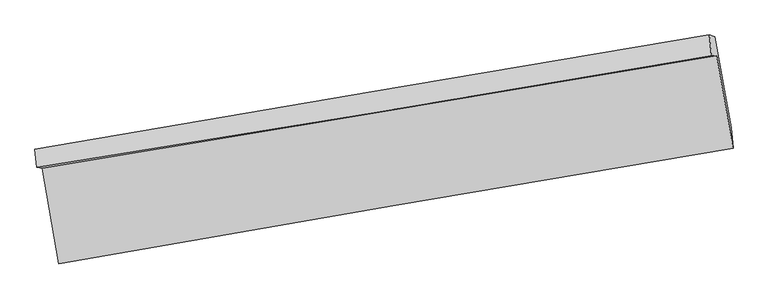
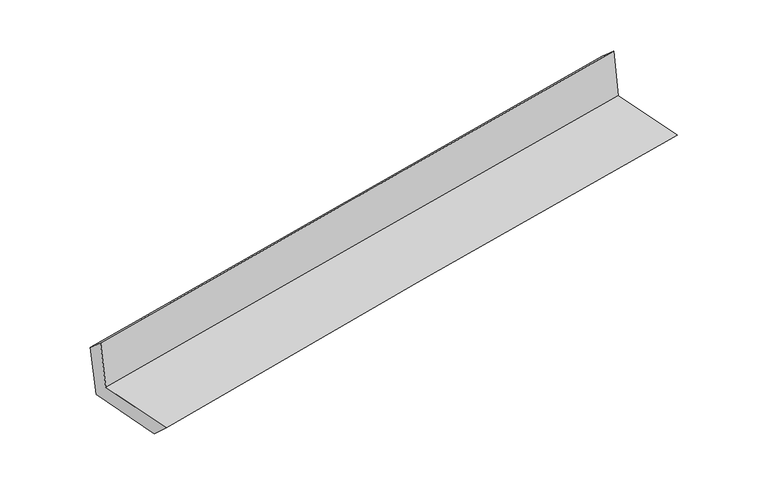
"""IFC4 building model written with IfcOpenShell, lengths in millimetres: proxy geometry."""

import ifcopenshell
import ifcopenshell.guid

model = None  # the IFC model being written
_history = None  # IfcOwnerHistory: only IFC2X3 demands one
_inside = {}  # id of a spatial element -> (the spatial element, [elements in it])
_under = {}  # id of a project, library or spatial element -> (it, [spatial elements below it])
_declared = {}  # id of a project -> (the project, [libraries it declares])
_typed = {}  # id of a type object -> (the type object, [elements of that type])
_made_of = {}  # id of a material, layer set ... -> (it, [elements and type objects made of it])


def new_model(schema):
    """Start an empty IFC model of exactly this schema.

    Asked for "IFC4X3", IfcOpenShell would pick the latest addendum, in which some entities
    have other attributes; the version numbers below select the first issue.
    IFC2X3 requires an IfcOwnerHistory on every rooted entity: one is made here for all.
    """
    global model, _history
    if schema == "IFC4X3":
        model = ifcopenshell.file(schema_version=(4, 3, 0, 0))
    else:
        model = ifcopenshell.file(schema=schema)
    _inside.clear()
    _under.clear()
    _declared.clear()
    _typed.clear()
    _made_of.clear()
    _history = None
    if model.schema == "IFC2X3":
        org = make("IfcOrganization", Name="unknown")
        user = make(
            "IfcPersonAndOrganization",
            ThePerson=make("IfcPerson", FamilyName="unknown"),
            TheOrganization=org,
        )
        app = make(
            "IfcApplication",
            ApplicationDeveloper=org,
            Version="unknown",
            ApplicationFullName="unknown",
            ApplicationIdentifier="unknown",
        )
        _history = make(
            "IfcOwnerHistory",
            OwningUser=user,
            OwningApplication=app,
            ChangeAction="ADDED",
            CreationDate=0,
        )
    return model


def make(cls, **values):
    """One entity of the class cls with the attributes given. An attribute that is None is left unset."""
    return model.create_entity(
        cls, **{name: value for name, value in values.items() if value is not None}
    )


def rooted(cls, **values):
    """An entity with a GlobalId (a new one), such as an element, a storey or a relation."""
    return make(cls, GlobalId=ifcopenshell.guid.new(), OwnerHistory=_history, **values)


def si_unit(unit_type, name, prefix=None):
    """IfcSIUnit, for example si_unit("LENGTHUNIT", "METRE", prefix="MILLI")."""
    return make("IfcSIUnit", UnitType=unit_type, Prefix=prefix, Name=name)


def assignment(units):
    """IfcUnitAssignment: the units of a project."""
    return None if units is None else make("IfcUnitAssignment", Units=units)


def point(xyz):
    """IfcCartesianPoint."""
    return None if xyz is None else make("IfcCartesianPoint", Coordinates=xyz)


def direction(xyz):
    """IfcDirection."""
    return None if xyz is None else make("IfcDirection", DirectionRatios=xyz)


def frame(location, z_axis=None, x_axis=None):
    """IfcAxis2Placement3D, a coordinate frame: its origin and axes. An axis left out is left unset."""
    return make(
        "IfcAxis2Placement3D",
        Location=point(location),
        Axis=direction(z_axis),
        RefDirection=direction(x_axis),
    )


def origin():
    """The frame at (0, 0, 0) with its axes left unset."""
    return frame((0.0, 0.0, 0.0))


def place(relative_to, where):
    """IfcLocalPlacement: puts the frame where relative to a parent placement (None: the world)."""
    return make(
        "IfcLocalPlacement", PlacementRelTo=relative_to, RelativePlacement=where
    )


def context(
    kind, dimensions, precision=None, world=None, true_north=None, identifier=None
):
    """IfcGeometricRepresentationContext, for example the 3D "Model" context."""
    return make(
        "IfcGeometricRepresentationContext",
        ContextIdentifier=identifier,
        ContextType=kind,
        CoordinateSpaceDimension=dimensions,
        Precision=precision,
        WorldCoordinateSystem=world,
        TrueNorth=true_north,
    )


def project(units=None, contexts=None):
    """IfcProject with its units and contexts."""
    return rooted(
        "IfcProject",
        Name="project",
        RepresentationContexts=contexts,
        UnitsInContext=assignment(units),
    )


def spatial(cls, under=None, at=None, **own):
    """A site, building, storey or space (cls), placed at a placement, below another one or the project."""
    s = rooted(cls, ObjectPlacement=at, **own)
    if under is not None:
        _under.setdefault(under.id(), (under, []))[1].append(s)
    return s


def shape(context_of_items, identifier, shape_type, items):
    """IfcShapeRepresentation: the items that make up one representation, for example the "Body"."""
    return make(
        "IfcShapeRepresentation",
        ContextOfItems=context_of_items,
        RepresentationIdentifier=identifier,
        RepresentationType=shape_type,
        Items=items,
    )


def source(mapping_origin, context_of_items, identifier, shape_type, items):
    """IfcRepresentationMap: a shape defined once, which mapped items show again and again."""
    return make(
        "IfcRepresentationMap",
        MappingOrigin=mapping_origin,
        MappedRepresentation=shape(context_of_items, identifier, shape_type, items),
    )


def transform(
    local_origin,
    x_axis=None,
    y_axis=None,
    z_axis=None,
    scale=None,
    scale2=None,
    scale3=None,
    uniform=True,
):
    """IfcCartesianTransformationOperator3D, or its non-uniform kind. x_axis, y_axis, z_axis: its Axis1, 2, 3."""
    if uniform:
        return make(
            "IfcCartesianTransformationOperator3D",
            Axis1=direction(x_axis),
            Axis2=direction(y_axis),
            LocalOrigin=point(local_origin),
            Scale=scale,
            Axis3=direction(z_axis),
        )
    return make(
        "IfcCartesianTransformationOperator3DnonUniform",
        Axis1=direction(x_axis),
        Axis2=direction(y_axis),
        LocalOrigin=point(local_origin),
        Scale=scale,
        Axis3=direction(z_axis),
        Scale2=scale2,
        Scale3=scale3,
    )


def mapped(mapping_source, mapping_target):
    """IfcMappedItem: shows the shape of a source again, moved by a transform."""
    return make(
        "IfcMappedItem", MappingSource=mapping_source, MappingTarget=mapping_target
    )


def made_of(thing, what):
    """Note that an element or type object is made of a material, layer set ...; save() writes the relation."""
    if what is not None:
        _made_of.setdefault(what.id(), (what, []))[1].append(thing)
    return thing


def element(
    cls,
    number,
    at=None,
    inside=None,
    cuts=None,
    type_object=None,
    material=None,
    context=None,
    identifier="Body",
    shape_type=None,
    held_by="IfcProductDefinitionShape",
    body=None,
    shapes=None,
    **own,
):
    """One element of the class cls, such as IfcWall. Its Tag is "e" and its number.

    at: its placement. inside: the storey or other place that contains it. cuts: it is an
    opening in that element (IfcRelVoidsElement). A single representation is given by context,
    identifier, shape_type and body (its items); several are given by shapes. held_by: the class
    of the entity that holds the representations. save() writes the other relations.
    """
    e = rooted(cls, Tag="e%d" % number, ObjectPlacement=at, **own)
    if body is not None:
        shapes = [shape(context, identifier, shape_type, body)]
    if shapes is not None:
        e.Representation = make(held_by, Representations=shapes)
    if inside is not None:
        _inside.setdefault(inside.id(), (inside, []))[1].append(e)
    if cuts is not None:
        rooted(
            "IfcRelVoidsElement", RelatingBuildingElement=cuts, RelatedOpeningElement=e
        )
    if type_object is not None:
        _typed.setdefault(type_object.id(), (type_object, []))[1].append(e)
    return made_of(e, material)


def aggregate(whole, parts):
    """IfcRelAggregates: a whole, such as a stair, and the parts it consists of."""
    return rooted("IfcRelAggregates", RelatingObject=whole, RelatedObjects=parts)


def save(model, path):
    """Write the relations noted so far, then the file.

    IfcRelAggregates (storeys below a building ...), IfcRelContainedInSpatialStructure (elements
    in a storey), IfcRelDefinesByType, IfcRelAssociatesMaterial and IfcRelDeclares: one each for
    every whole, place, type object, material and project.
    """
    for whole, parts in _under.values():
        aggregate(whole, parts)
    for where, things in _inside.values():
        rooted(
            "IfcRelContainedInSpatialStructure",
            RelatedElements=things,
            RelatingStructure=where,
        )
    for kind, things in _typed.values():
        rooted("IfcRelDefinesByType", RelatedObjects=things, RelatingType=kind)
    for what, things in _made_of.values():
        rooted("IfcRelAssociatesMaterial", RelatedObjects=things, RelatingMaterial=what)
    for by, libraries in _declared.values():
        rooted("IfcRelDeclares", RelatingContext=by, RelatedDefinitions=libraries)
    model.write(path)


def plane_surface(at):
    """IfcPlane: the flat surface through the origin of the frame at, square to its z axis."""
    return make("IfcPlane", Position=at)


def spline_curve(degree, points, multiplicities, knots, weights=None):
    """IfcBSplineCurveWithKnots; with weights, IfcRationalBSplineCurveWithKnots."""
    own = dict(
        Degree=degree,
        ControlPointsList=[point(p) for p in points],
        CurveForm="UNSPECIFIED",
        ClosedCurve=False,
        SelfIntersect=False,
        KnotMultiplicities=multiplicities,
        Knots=knots,
        KnotSpec="UNSPECIFIED",
    )
    if weights is None:
        return make("IfcBSplineCurveWithKnots", **own)
    return make("IfcRationalBSplineCurveWithKnots", WeightsData=weights, **own)


def spline_surface(u_degree, v_degree, points, u_multiplicities, v_multiplicities, u_knots, v_knots, weights=None):
    """IfcBSplineSurfaceWithKnots; with weights, IfcRationalBSplineSurfaceWithKnots. points: one row for each step in u."""
    own = dict(
        UDegree=u_degree,
        VDegree=v_degree,
        ControlPointsList=[[point(p) for p in row] for row in points],
        SurfaceForm="UNSPECIFIED",
        UClosed=False,
        VClosed=False,
        SelfIntersect=False,
        UMultiplicities=u_multiplicities,
        VMultiplicities=v_multiplicities,
        UKnots=u_knots,
        VKnots=v_knots,
        KnotSpec="UNSPECIFIED",
    )
    if weights is None:
        return make("IfcBSplineSurfaceWithKnots", **own)
    return make("IfcRationalBSplineSurfaceWithKnots", WeightsData=weights, **own)


def advanced_brep(points, edges, surfaces, faces):
    """IfcAdvancedBrep: a solid bounded by faces that lie on surfaces and meet in shared edges.

    An edge is (start, end): straight between two places in points (the first is 0);
    or (start, end, curve); or (start, end, curve, False) where it runs against its curve.
    A face is (place in surfaces, loops), or (place, loops, False) where it looks against
    its surface's normal. A loop lists edges by number (the first is 1), with a minus sign
    where the edge is run from its end to its start. The first loop is the outer one.
    """
    corners = [point(p) for p in points]
    vertices = [make("IfcVertexPoint", VertexGeometry=c) for c in corners]
    made = []
    for start, end, *more in edges:
        made.append(
            make(
                "IfcEdgeCurve",
                EdgeStart=vertices[start],
                EdgeEnd=vertices[end],
                EdgeGeometry=more[0] if more else make("IfcPolyline", Points=[corners[start], corners[end]]),
                SameSense=more[1] if len(more) > 1 else True,
            )
        )
    hull = []
    for where, loops, *sense in faces:
        bounds = []
        for j, loop in enumerate(loops):
            ring = [make("IfcOrientedEdge", EdgeElement=made[abs(k) - 1], Orientation=k > 0) for k in loop]
            bounds.append(
                make(
                    "IfcFaceOuterBound" if j == 0 else "IfcFaceBound",
                    Bound=make("IfcEdgeLoop", EdgeList=ring),
                    Orientation=True,
                )
            )
        hull.append(make("IfcAdvancedFace", Bounds=bounds, FaceSurface=surfaces[where], SameSense=sense[0] if sense else True))
    return make("IfcAdvancedBrep", Outer=make("IfcClosedShell", CfsFaces=hull))


def generic_models_180735ad(model_context):
    return source(origin(), model_context, "Body", "AdvancedBrep", [
        advanced_brep(
        [(-2390.4383817, -1895.9952867, 1670.8666574), (-2273.3181519, -2566.249128, 1676.6137967), (2451.7956634, -1756.5701671, 2116.3038321), (2336.9980746, -1106.1766628, 2110.9998501), (-2428.8716901, -1888.402481, 2071.4523461), (2299.8620773, -1108.8097294, 2517.0647466), (-2440.7007722, -1761.0004608, 1957.7098645), (2285.7617562, -961.4855933, 2387.3239728), (-2399.3360873, -1773.8718142, 1535.4776161), (2324.7469524, -973.8255256, 1989.9512013), (-2286.8991915, -2416.4596719, 1539.3568886), (2438.2419345, -1610.9594171, 1983.9402701)],
        [
            (0, 1),
            (1, 2, spline_curve(3, [(-2273.3181519, -2566.249128, 1676.6137967), (-1487.210075008, -2426.436506373, 1752.606665857), (-700.522119164, -2289.077652208, 1827.232704552), (874.515080459, -2019.18153812, 1973.79779182), (1662.865062774, -1886.647405001, 2045.735097957), (2451.7956634, -1756.5701671, 2116.3038321)], [4, 2, 4], [0.0, 7.893839812082021, 15.792708394018288])),
            (2, 3),
            (3, 0, spline_curve(3, [(2336.9980746, -1106.1766628, 2110.9998501), (1548.860162561, -1239.495489206, 2040.542571362), (760.712721703, -1371.993817908, 1968.624021819), (-815.099442441, -1635.265648348, 1821.911097428), (-1602.764153569, -1766.040194107, 1747.118582908), (-2390.4383817, -1895.9952867, 1670.8666574)], [4, 2, 4], [0.0, 7.8988685819362665, 15.792708394018288])),
            (4, 0),
            (3, 5),
            (5, 4, spline_curve(3, [(2299.8620773, -1108.8097294, 2517.0647466), (1511.937059769, -1243.835120703, 2447.521214867), (723.787853761, -1376.333761489, 2375.602501801), (-852.457020514, -1636.194795845, 2227.062011786), (-1640.552404019, -1763.560405514, 2150.44325806), (-2428.8716901, -1888.402481, 2071.4523461)], [4, 2, 4], [0.0, 7.898195215488964, 15.791362089818609])),
            (6, 4),
            (5, 7),
            (7, 6, spline_curve(3, [(2285.7617562, -961.4855933, 2387.3239728), (1497.550222159, -1093.171127677, 2315.120066349), (709.447194423, -1225.661605438, 2243.205629722), (-866.040177182, -1492.167585588, 2100.001295307), (-1653.424658614, -1626.18206392, 2028.711029377), (-2440.7007722, -1761.0004608, 1957.7098645)], [4, 2, 4], [0.0, 7.897888241974035, 15.790748338221697])),
            (8, 6),
            (7, 9),
            (9, 8, spline_curve(3, [(2324.7469524, -973.8255256, 1989.9512013), (1536.13262022, -1105.423436964, 1921.89396015), (748.026674608, -1237.914430601, 1849.97925313), (-826.667025092, -1504.597663384, 1698.483147994), (-1613.255425794, -1638.788766199, 1618.90665977), (-2399.3360873, -1773.8718142, 1535.4776161)], [4, 2, 4], [0.0, 7.897591886864001, 15.790155816674428])),
            (10, 8),
            (9, 11),
            (11, 10, spline_curve(3, [(2438.2419345, -1610.9594171, 1983.9402701), (1649.407220032, -1741.717626976, 1914.196330996), (861.102888146, -1874.243689855, 1842.263252054), (-713.943478932, -2142.746025285, 1694.066005235), (-1500.686188929, -2278.720046983, 1617.804623291), (-2286.8991915, -2416.4596719, 1539.3568886)], [4, 2, 4], [0.0, 7.898534505986341, 15.792040454805996])),
            (1, 10),
            (11, 2),
        ],
        [
            spline_surface(3, 3, [[(-2390.4383817, -1895.9952867, 1670.8666574), (-1602.764153681, -1766.040194083, 1747.118582867), (-815.099442472, -1635.265648255, 1821.911097503), (760.712721734, -1371.993818001, 1968.624021743), (1548.860162673, -1239.495489232, 2040.542571381), (2336.9980746, -1106.1766628, 2110.9998501)], [(-2351.398305125, -2119.413233787, 1672.78237048), (-1564.24612749, -1986.172298165, 1748.947943804), (-776.907001312, -1853.202982941, 1823.684966536), (798.646841284, -1587.723058004, 1970.348611753), (1586.861796039, -1455.212794527, 2042.273413602), (2375.263937533, -1322.974497575, 2112.767844102)], [(-2312.358228475, -2342.831180913, 1674.69808362), (-1525.728101223, -2206.304402287, 1750.777304803), (-738.7145602, -2071.14031763, 1825.458835568), (836.580960785, -1803.45229801, 1972.073201761), (1624.863429406, -1670.930099797, 2044.004255817), (2413.529800467, -1539.772332325, 2114.535838098)], [(-2273.3181519, -2566.249128, 1676.6137967), (-1487.210075033, -2426.436506369, 1752.60666574), (-700.52211904, -2289.077652316, 1827.232704602), (874.515080335, -2019.181538012, 1973.79779177), (1662.865062773, -1886.647405091, 2045.735098038), (2451.7956634, -1756.5701671, 2116.3038321)]], [4, 4], [4, 2, 4], [0.0, 2.166880200863864], [0.0, 7.893839812082021, 15.792708394018288]),
            spline_surface(3, 3, [[(-2428.8716901, -1888.402481, 2071.4523461), (-1640.552403941, -1763.560405624, 2150.443257953), (-852.457020616, -1636.194795805, 2227.062011709), (723.787853863, -1376.333761529, 2375.602501877), (1511.937059711, -1243.835120818, 2447.521214943), (2299.8620773, -1108.8097294, 2517.0647466)], [(-2416.060587291, -1890.933416248, 1937.923783196), (-1627.956320512, -1764.387001792, 2016.001699587), (-840.004494585, -1635.88507994, 2092.011706946), (736.096143137, -1374.887113671, 2239.943008472), (1524.244760702, -1242.388576954, 2311.861667058), (2312.240743071, -1107.932040531, 2381.70978107)], [(-2403.249484509, -1893.464351452, 1804.395220304), (-1615.36023711, -1765.213597915, 1881.560141233), (-827.551968503, -1635.57536412, 1956.961402266), (748.40443246, -1373.440465859, 2104.283515149), (1536.552461681, -1240.942033096, 2176.202119265), (2324.619408829, -1107.054351669, 2246.35481563)], [(-2390.4383817, -1895.9952867, 1670.8666574), (-1602.764153681, -1766.040194083, 1747.118582867), (-815.099442472, -1635.265648255, 1821.911097503), (760.712721734, -1371.993818001, 1968.624021743), (1548.860162673, -1239.495489232, 2040.542571381), (2336.9980746, -1106.1766628, 2110.9998501)]], [4, 4], [4, 2, 4], [0.0, 1.3378242405184895], [0.0, 7.893166874329645, 15.791362089818609]),
            spline_surface(3, 3, [[(-2440.7007722, -1761.0004608, 1957.7098645), (-1653.42465865, -1626.182063873, 2028.711029282), (-866.040177051, -1492.167585715, 2100.001295365), (709.447194291, -1225.661605311, 2243.205629664), (1497.550222176, -1093.171127579, 2315.120066361), (2285.7617562, -961.4855933, 2387.3239728)], [(-2436.757744826, -1803.467800881, 1995.624025028), (-1649.133907073, -1671.974844471, 2069.288438834), (-861.512458212, -1540.176655757, 2142.354867488), (714.227414176, -1275.885657395, 2287.33792041), (1502.345834684, -1143.392458643, 2359.253782563), (2290.46186323, -1010.593638651, 2430.570897408)], [(-2432.814717474, -1845.935140919, 2033.538185572), (-1644.843155517, -1717.767625027, 2109.865848402), (-856.984739455, -1588.185725764, 2184.708439586), (719.007633979, -1326.109709445, 2331.470211131), (1507.141447203, -1193.613789754, 2403.387498741), (2295.16197027, -1059.701684049, 2473.817821992)], [(-2428.8716901, -1888.402481, 2071.4523461), (-1640.552403941, -1763.560405624, 2150.443257953), (-852.457020616, -1636.194795805, 2227.062011709), (723.787853863, -1376.333761529, 2375.602501877), (1511.937059711, -1243.835120818, 2447.521214943), (2299.8620773, -1108.8097294, 2517.0647466)]], [4, 4], [4, 2, 4], [0.0, 0.6457297600850765], [0.0, 7.892860096247662, 15.790748338221697]),
            spline_surface(3, 3, [[(-2399.3360873, -1773.8718142, 1535.4776161), (-1613.25542575, -1638.788766171, 1618.906659801), (-826.667024962, -1504.597663488, 1698.483147968), (748.026674478, -1237.914430497, 1849.979253155), (1536.132620277, -1105.423436983, 1921.893960022), (2324.7469524, -973.8255256, 1989.9512013)], [(-2413.124315608, -1769.58136304, 1676.221698922), (-1626.645170058, -1634.586532045, 1755.508116317), (-839.791409004, -1500.454304224, 1832.322530448), (735.166847737, -1233.830155429, 1981.054712006), (1523.271820904, -1101.339333851, 2052.9693288), (2311.751886994, -969.712214836, 2122.408791799)], [(-2426.912543892, -1765.29091196, 1816.965781678), (-1640.034914342, -1630.384297999, 1892.109572766), (-852.915793009, -1496.310944979, 1966.161912885), (722.307021033, -1229.745880379, 2112.130170813), (1510.411021549, -1097.255230711, 2184.044697583), (2298.756821606, -965.598904064, 2254.866382301)], [(-2440.7007722, -1761.0004608, 1957.7098645), (-1653.42465865, -1626.182063873, 2028.711029282), (-866.040177051, -1492.167585715, 2100.001295365), (709.447194291, -1225.661605311, 2243.205629664), (1497.550222176, -1093.171127579, 2315.120066361), (2285.7617562, -961.4855933, 2387.3239728)]], [4, 4], [4, 2, 4], [0.0, 1.3105879960765427], [0.0, 7.892563929810427, 15.790155816674428]),
            spline_surface(3, 3, [[(-2286.8991915, -2416.4596719, 1539.3568886), (-1500.686188922, -2278.720047003, 1617.804623376), (-713.943478837, -2142.746025184, 1694.066005126), (861.102888051, -1874.243689957, 1842.263252164), (1649.407219958, -1741.717626888, 1914.196330877), (2438.2419345, -1610.9594171, 1983.9402701)], [(-2324.378156767, -2202.263719335, 1538.063797773), (-1538.209267865, -2065.409620061, 1618.171968857), (-751.517994214, -1930.029904635, 1695.538386071), (823.410816858, -1662.133936821, 1844.835252491), (1611.64902005, -1529.61956361, 1916.762207262), (2400.410273786, -1398.58145329, 1985.943913837)], [(-2361.857122033, -1988.067766765, 1536.770706927), (-1575.732346807, -1852.099193113, 1618.53931432), (-789.092509585, -1717.313784036, 1697.010767024), (785.718745671, -1450.024183633, 1847.407252828), (1573.890820185, -1317.521500261, 1919.328083636), (2362.578613114, -1186.20348941, 1987.947557563)], [(-2399.3360873, -1773.8718142, 1535.4776161), (-1613.25542575, -1638.788766171, 1618.906659801), (-826.667024962, -1504.597663488, 1698.483147968), (748.026674478, -1237.914430497, 1849.979253155), (1536.132620277, -1105.423436983, 1921.893960022), (2324.7469524, -973.8255256, 1989.9512013)]], [4, 4], [4, 2, 4], [0.0, 2.1233290323593996], [0.0, 7.893505948819654, 15.792040454805996]),
            spline_surface(3, 3, [[(-2273.3181519, -2566.249128, 1676.6137967), (-1487.210075033, -2426.436506369, 1752.60666574), (-700.52211904, -2289.077652316, 1827.232704602), (874.515080335, -2019.181538012, 1973.79779177), (1662.865062773, -1886.647405091, 2045.735098038), (2451.7956634, -1756.5701671, 2116.3038321)], [(-2277.845165083, -2516.31930931, 1630.861494002), (-1491.702112979, -2377.19768659, 1707.672651621), (-704.995905652, -2240.300443265, 1782.843804784), (870.044349561, -1970.868921987, 1929.952945242), (1658.379115188, -1838.337479008, 2001.888842336), (2447.277753786, -1708.033250417, 2072.182644785)], [(-2282.372178317, -2466.38949059, 1585.109191298), (-1496.194150976, -2327.958866782, 1662.738637496), (-709.469692226, -2191.523234234, 1738.454904944), (865.573618825, -1922.556305982, 1886.108098692), (1653.893167544, -1790.027552972, 1958.042586578), (2442.759844114, -1659.496333783, 2028.061457415)], [(-2286.8991915, -2416.4596719, 1539.3568886), (-1500.686188922, -2278.720047003, 1617.804623376), (-713.943478837, -2142.746025184, 1694.066005126), (861.102888051, -1874.243689957, 1842.263252164), (1649.407219958, -1741.717626888, 1914.196330877), (2438.2419345, -1610.9594171, 1983.9402701)]], [4, 4], [4, 2, 4], [0.0, 0.6471318960846287], [0.0, 7.894510564520376, 15.79405032619777]),
            plane_surface(frame((2356.2344097, -1252.9711826, 2184.2639788), z_axis=(0.9805823819819409, 0.17381803250636005, 0.0908046459287258), x_axis=(-0.09759200737811877, 0.030890668258710702, 0.9947469862786414))),
            plane_surface(frame((-2369.9273791, -2050.3298071, 1741.9128616), z_axis=(-0.9808684072804176, -0.17217599952679144, -0.09084378231957996), x_axis=(-0.1721257824168113, 0.985038768423506, -0.008446284988268096))),
        ],
        [
            (0, [[1, 2, 3, 4]]),
            (1, [[5, -4, 6, 7]]),
            (2, [[8, -7, 9, 10]]),
            (3, [[11, -10, 12, 13]]),
            (4, [[14, -13, 15, 16]]),
            (5, [[17, -16, 18, -2]]),
            (6, [[-12, -9, -6, -3, -18, -15]]),
            (7, [[-1, -5, -8, -11, -14, -17]]),
        ],
    ),
    ])


if __name__ == "__main__":
    model = new_model("IFC4")
    model_context = context("Model", 3, world=origin())
    ifc_project = project(units=[si_unit("LENGTHUNIT", "METRE", prefix="MILLI")], contexts=[model_context])
    site = spatial("IfcSite", under=ifc_project)
    building = spatial("IfcBuilding", under=site)
    placement = place(None, origin())
    generic_models_shape = generic_models_180735ad(model_context)
    element("IfcBuildingElementProxy", 1, Name="Generic Models", at=placement, inside=building, context=model_context, shape_type="MappedRepresentation", body=[
        mapped(generic_models_shape, transform((0.0, 0.0, 0.0), x_axis=(1.0, 0.0, 0.0), y_axis=(0.0, 1.0, 0.0), z_axis=(0.0, 0.0, 1.0))),
    ])
    save(model, "model.ifc")
